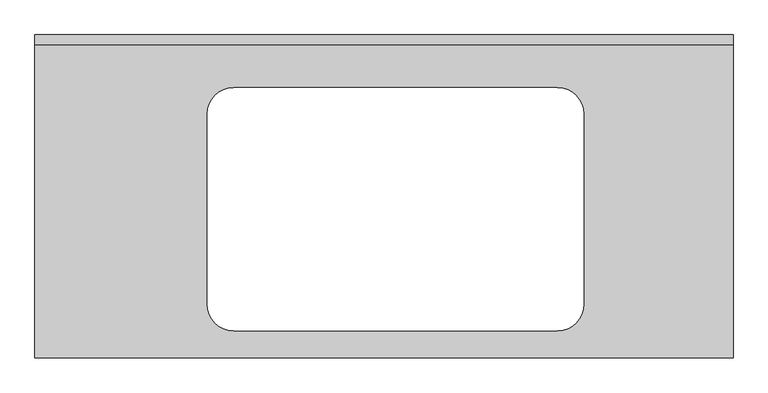
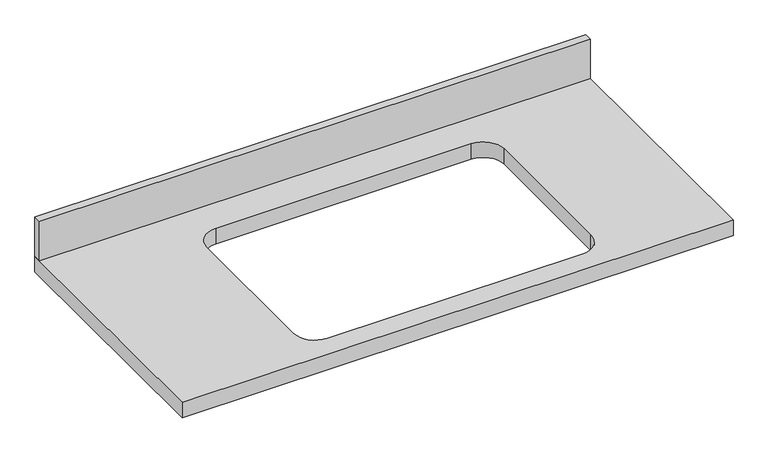
"""IFC4 building model written with IfcOpenShell, lengths in millimetres: furniture geometry."""

from ifc_helpers import new_model, si_unit, point, frame, frame_2d, origin, place, context, project, spatial, polyline, circle_curve, trimmed, segment, composite_curve, outline, extrude, source, transform, mapped, element, save


def furniture_76c7eef1(model_context):
    return source(origin(), model_context, "Body", "SweptSolid", [
        extrude(outline(polyline([(-1268.7247951, 0.0), (81.2752049, 0.0), (81.2752049, -19.05), (-1268.7247951, -19.05), (-1268.7247951, 0.0)])), frame((0.0, 0.0, 900.0), z_axis=(0.0, 0.0, 1.0), x_axis=(1.0, 0.0, 0.0)), (0.0, 0.0, 1.0), 101.6),
        extrude(outline(polyline([(81.2752049, 0.0), (81.2752049, -625.0), (-1268.7247951, -625.0), (-1268.7247951, 0.0), (81.2752049, 0.0)]), holes=[composite_curve([segment(trimmed(circle_curve(frame_2d((-884.6247951, -153.1)), 50.8), [point((-884.6247951, -102.3))], [point((-935.4247951, -153.1))], True, "CARTESIAN"), True, "CONTINUOUS"), segment(polyline([(-935.4247951, -153.1), (-935.4247951, -521.9)]), True, "CONTINUOUS"), segment(trimmed(circle_curve(frame_2d((-884.6247951, -521.9)), 50.8), [point((-935.4247951, -521.9))], [point((-884.6247951, -572.7))], True, "CARTESIAN"), True, "CONTINUOUS"), segment(polyline([(-884.6247951, -572.7), (-258.3111309, -572.7)]), True, "CONTINUOUS"), segment(trimmed(circle_curve(frame_2d((-258.3111309, -521.9)), 50.8), [point((-258.3111309, -572.7))], [point((-207.5111309, -521.9))], True, "CARTESIAN"), True, "CONTINUOUS"), segment(polyline([(-207.5111309, -521.9), (-207.5111309, -153.1)]), True, "CONTINUOUS"), segment(trimmed(circle_curve(frame_2d((-258.3111309, -153.1)), 50.8), [point((-207.5111309, -153.1))], [point((-258.3111309, -102.3))], True, "CARTESIAN"), True, "CONTINUOUS"), segment(polyline([(-258.3111309, -102.3), (-884.6247951, -102.3)]), True, "CONTINUOUS")], self_intersect=False)]), frame((0.0, 0.0, 860.0), z_axis=(0.0, 0.0, 1.0), x_axis=(1.0, 0.0, 0.0)), (0.0, 0.0, 1.0), 40.0),
    ])


if __name__ == "__main__":
    model = new_model("IFC4")
    model_context = context("Model", 3, world=origin())
    ifc_project = project(units=[si_unit("LENGTHUNIT", "METRE", prefix="MILLI")], contexts=[model_context])
    site = spatial("IfcSite", under=ifc_project)
    building = spatial("IfcBuilding", under=site)
    placement = place(None, origin())
    furniture_shape = furniture_76c7eef1(model_context)
    element("IfcFurniture", 1, at=placement, inside=building, context=model_context, shape_type="MappedRepresentation", body=[
        mapped(furniture_shape, transform((0.0, 0.0, 0.0), x_axis=(1.0, 0.0, 0.0), y_axis=(0.0, 1.0, 0.0), z_axis=(0.0, 0.0, 1.0))),
    ])
    save(model, "model.ifc")
